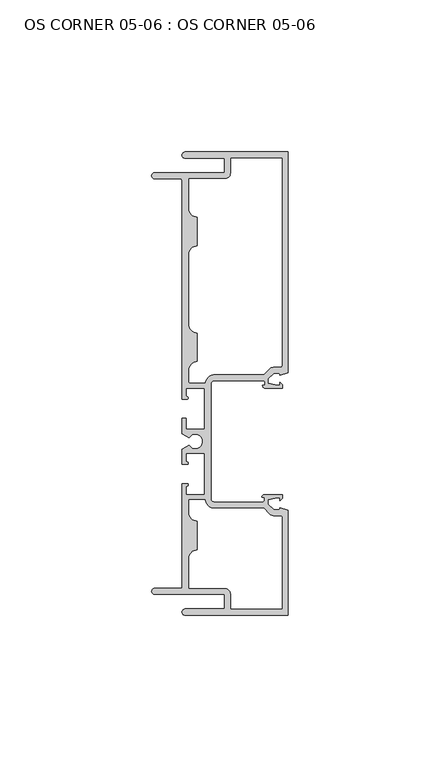
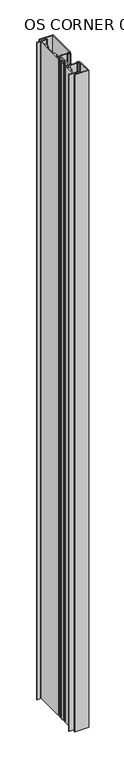
"""IFC4 building model written with IfcOpenShell, lengths in millimetres: plate geometry, OS CORNER 05-06 : OS CORNER 05-06."""

from ifc_helpers import new_model, si_unit, frame, origin, place, context, project, spatial, polyline, circle_curve, source, transform, mapped, element, save
from ifc_brep_helpers import plane_surface, cylinder_surface, revolved_surface, extruded_surface, spline_curve, advanced_brep


def os_corner_05_06_os_corner_05_06_935385a8(model_context):
    return source(origin(), model_context, "Body", "AdvancedBrep", [
        advanced_brep(
        [(-46.6090187, 107.95, 1710.2666667), (-46.6090187, 105.918, 1710.2666667), (-33.5788187, 105.918, 1710.2666667), (-33.5788187, 101.1428, 1710.2666667), (-56.5658187, 101.1428, 1710.2666667), (-56.5658187, 99.1108, 1710.2666667), (-48.1330187, 99.1108, 1710.2666667), (-47.6250187, 98.6028, 1710.2666667), (-47.6250187, 26.6065635, 1710.2666667), (-45.9613187, 26.6065635, 1710.2666667), (-45.9613187, 27.3939635, 1710.2666667), (-46.3550187, 28.0613166, 1710.2666667), (-46.3550187, 30.1879635, 1710.2666667), (-40.1320187, 30.1879635, 1710.2666667), (-40.1320187, 16.6751635, 1710.2666667), (-46.3550187, 16.6751635, 1710.2666667), (-46.3550187, 20.2565635, 1710.2666667), (-47.6250187, 20.2565635, 1710.2666667), (-47.6250187, 15.2424237, 1710.2666667), (-45.333238, 13.9192635, 1710.2666667), (-45.333238, 11.5062635, 1710.2666667), (-47.6250187, 10.1831033, 1710.2666667), (-47.6250187, 5.1689635, 1710.2666667), (-45.9613187, 5.1689635, 1710.2666667), (-46.3550187, 6.1451016, 1710.2666667), (-46.3550187, 8.7503635, 1710.2666667), (-40.1320187, 8.7503635, 1710.2666667), (-40.1320187, -4.7624365, 1710.2666667), (-46.3550187, -4.7624365, 1710.2666667), (-46.3550187, -2.1610439, 1710.2666667), (-45.9613187, -1.1849057, 1710.2666667), (-47.6250187, -1.1849057, 1710.2666667), (-47.6250187, -35.6108, 1710.2666667), (-56.5658187, -35.6108, 1710.2666667), (-56.5658187, -37.6428, 1710.2666667), (-33.5788187, -37.6428, 1710.2666667), (-33.5788187, -42.418, 1710.2666667), (-46.6090187, -42.418, 1710.2666667), (-46.6090187, -44.45, 1710.2666667), (-12.7000187, -44.45, 1710.2666667), (-12.7000187, -9.9816997, 1710.2666667), (-15.3035187, -9.06653, 1710.2666667), (-15.5624448, -9.80313, 1710.2666667), (-17.3878787, -9.80313, 1710.2666667), (-19.2659187, -7.92353, 1710.2666667), (-19.2659187, -6.4494761, 1710.2666667), (-16.2687187, -5.7912, 1710.2666667), (-15.3035187, -5.7912, 1710.2666667), (-15.3035187, -6.734082, 1710.2666667), (-14.4895461, -5.9201094, 1710.2666667), (-14.4895461, -4.7752, 1710.2666667), (-20.3526339, -4.7752, 1710.2666667), (-21.3179609, -5.740527, 1710.2666667), (-20.5359187, -5.740527, 1710.2666667), (-20.5359187, -6.680327, 1710.2666667), (-21.1709187, -7.315327, 1710.2666667), (-36.8300187, -7.315327, 1710.2666667), (-38.1000187, -6.045327, 1710.2666667), (-38.1000187, 31.445327, 1710.2666667), (-36.8300187, 32.715327, 1710.2666667), (-20.8732625, 32.715327, 1710.2666667), (-20.2382625, 32.080327, 1710.2666667), (-20.2382625, 31.140527, 1710.2666667), (-21.0947187, 31.140527, 1710.2666667), (-20.1293917, 30.1752, 1710.2666667), (-14.4895461, 30.1752, 1710.2666667), (-14.4895461, 31.3201094, 1710.2666667), (-15.3035187, 32.134082, 1710.2666667), (-15.3035187, 31.1912, 1710.2666667), (-16.2687187, 31.1912, 1710.2666667), (-19.2659187, 31.8494761, 1710.2666667), (-19.2659187, 33.32353, 1710.2666667), (-17.3878787, 35.20313, 1710.2666667), (-15.5624448, 35.20313, 1710.2666667), (-15.3035187, 34.46653, 1710.2666667), (-12.7000187, 35.3816997, 1710.2666667), (-12.7000187, 107.95, 1710.2666667), (-45.3390187, 99.1108, 1710.2666667), (-33.5788187, 99.1108, 1710.2666667), (-31.5468187, 101.1428, 1710.2666667), (-31.5468187, 105.918, 1710.2666667), (-14.7320187, 105.918, 1710.2666667), (-14.7320187, 37.74313, 1710.2666667), (-15.2400187, 37.23513, 1710.2666667), (-17.1246986, 37.23513, 1710.2666667), (-19.0113352, 36.4532007, 1710.2666667), (-20.7157931, 34.747327, 1710.2666667), (-36.8300187, 34.747327, 1710.2666667), (-40.0906949, 31.9660905, 1710.2666667), (-44.8310187, 31.9660905, 1710.2666667), (-45.3390187, 32.4740905, 1710.2666667), (-45.3390187, 36.1188, 1710.2666667), (-42.5450187, 38.9128, 1710.2666667), (-42.5450187, 48.4378, 1710.2666667), (-45.3390187, 51.2318, 1710.2666667), (-45.3390187, 74.2315, 1710.2666667), (-42.5450187, 77.0255, 1710.2666667), (-42.5450187, 86.5505, 1710.2666667), (-45.3390187, 89.3445, 1710.2666667), (-17.1246986, -11.83513, 1710.2666667), (-15.2400187, -11.83513, 1710.2666667), (-14.7320187, -12.34313, 1710.2666667), (-14.7320187, -42.418, 1710.2666667), (-31.5468187, -42.418, 1710.2666667), (-31.5468187, -37.6428, 1710.2666667), (-33.5788187, -35.6108, 1710.2666667), (-45.3390187, -35.6108, 1710.2666667), (-45.3390187, -25.8318, 1710.2666667), (-42.5450187, -23.0378, 1710.2666667), (-42.5450187, -13.5128, 1710.2666667), (-45.3390187, -10.7188, 1710.2666667), (-45.3390187, -6.5405635, 1710.2666667), (-40.0946695, -6.5405635, 1710.2666667), (-36.8300187, -9.347327, 1710.2666667), (-20.7157931, -9.347327, 1710.2666667), (-19.0113352, -11.0532007, 1710.2666667), (-46.6090187, 107.95, 0.0), (-12.7000187, 107.95, 0.0), (-12.7000187, 35.3816997, 0.0), (-15.3035187, 34.46653, 0.0), (-15.5624448, 35.20313, 0.0), (-17.3878787, 35.20313, 0.0), (-19.2659187, 33.32353, 0.0), (-19.2659187, 31.8494761, 0.0), (-16.2687187, 31.1912, 0.0), (-15.3035187, 31.1912, 0.0), (-15.3035187, 32.134082, 0.0), (-14.4895461, 31.3201094, 0.0), (-14.4895461, 30.1752, 0.0), (-20.1293917, 30.1752, 0.0), (-21.0947187, 31.140527, 0.0), (-20.2382625, 31.140527, 0.0), (-20.2382625, 32.080327, 0.0), (-20.8732625, 32.715327, 0.0), (-36.8300187, 32.715327, 0.0), (-38.1000187, 31.445327, 0.0), (-38.1000187, -6.045327, 0.0), (-36.8300187, -7.315327, 0.0), (-21.1709187, -7.315327, 0.0), (-20.5359187, -6.680327, 0.0), (-20.5359187, -5.740527, 0.0), (-21.3179609, -5.740527, 0.0), (-20.3526339, -4.7752, 0.0), (-14.4895461, -4.7752, 0.0), (-14.4895461, -5.9201094, 0.0), (-15.3035187, -6.734082, 0.0), (-15.3035187, -5.7912, 0.0), (-16.2687187, -5.7912, 0.0), (-19.2659187, -6.4494761, 0.0), (-19.2659187, -7.92353, 0.0), (-17.3878787, -9.80313, 0.0), (-15.5624448, -9.80313, 0.0), (-15.3035187, -9.06653, 0.0), (-12.7000187, -9.9816997, 0.0), (-12.7000187, -44.45, 0.0), (-46.6090187, -44.45, 0.0), (-46.6090187, -42.418, 0.0), (-33.5788187, -42.418, 0.0), (-33.5788187, -37.6428, 0.0), (-56.5658187, -37.6428, 0.0), (-56.5658187, -35.6108, 0.0), (-47.6250187, -35.6108, 0.0), (-47.6250187, -1.1849057, 0.0), (-45.9613187, -1.1849057, 0.0), (-46.3550187, -2.1610439, 0.0), (-46.3550187, -4.7624365, 0.0), (-40.1320187, -4.7624365, 0.0), (-40.1320187, 8.7503635, 0.0), (-46.3550187, 8.7503635, 0.0), (-46.3550187, 6.1451016, 0.0), (-45.9613187, 5.1689635, 0.0), (-47.6250187, 5.1689635, 0.0), (-47.6250187, 10.1831033, 0.0), (-45.333238, 11.5062635, 0.0), (-45.333238, 13.9192635, 0.0), (-47.6250187, 15.2424237, 0.0), (-47.6250187, 20.2565635, 0.0), (-46.3550187, 20.2565635, 0.0), (-46.3550187, 16.6751635, 0.0), (-40.1320187, 16.6751635, 0.0), (-40.1320187, 30.1879635, 0.0), (-46.3550187, 30.1879635, 0.0), (-46.3550187, 28.0613166, 0.0), (-45.9613187, 27.3939635, 0.0), (-45.9613187, 26.6065635, 0.0), (-47.6250187, 26.6065635, 0.0), (-47.6250187, 98.6028, 0.0), (-48.1330187, 99.1108, 0.0), (-56.5658187, 99.1108, 0.0), (-56.5658187, 101.1428, 0.0), (-33.5788187, 101.1428, 0.0), (-33.5788187, 105.918, 0.0), (-46.6090187, 105.918, 0.0), (-45.3390187, 99.1108, 0.0), (-45.3390187, 89.3445, 0.0), (-42.5450187, 86.5505, 0.0), (-42.5450187, 77.0255, 0.0), (-45.3390187, 74.2315, 0.0), (-45.3390187, 51.2318, 0.0), (-42.5450187, 48.4378, 0.0), (-42.5450187, 38.9128, 0.0), (-45.3390187, 36.1188, 0.0), (-45.3390187, 32.4740905, 0.0), (-44.8310187, 31.9660905, 0.0), (-40.0906949, 31.9660905, 0.0), (-36.8300187, 34.747327, 0.0), (-20.7157931, 34.747327, 0.0), (-19.0113352, 36.4532007, 0.0), (-17.1246986, 37.23513, 0.0), (-15.2400187, 37.23513, 0.0), (-14.7320187, 37.74313, 0.0), (-14.7320187, 105.918, 0.0), (-31.5468187, 105.918, 0.0), (-31.5468187, 101.1428, 0.0), (-33.5788187, 99.1108, 0.0), (-17.1246986, -11.83513, 0.0), (-19.0113352, -11.0532007, 0.0), (-20.7157931, -9.347327, 0.0), (-36.8300187, -9.347327, 0.0), (-40.0946695, -6.5405635, 0.0), (-45.3390187, -6.5405635, 0.0), (-45.3390187, -10.7188, 0.0), (-42.5450187, -13.5128, 0.0), (-42.5450187, -23.0378, 0.0), (-45.3390187, -25.8318, 0.0), (-45.3390187, -35.6108, 0.0), (-33.5788187, -35.6108, 0.0), (-31.5468187, -37.6428, 0.0), (-31.5468187, -42.418, 0.0), (-14.7320187, -42.418, 0.0), (-14.7320187, -12.34313, 0.0), (-15.2400187, -11.83513, 0.0)],
        [
            (0, 1, circle_curve(frame((-46.6090187, 106.934, 1710.2666667), z_axis=(0.0, 0.0, 1.0), x_axis=(0.0, 1.0, 0.0)), 1.016)),
            (1, 2),
            (2, 3),
            (3, 4),
            (4, 5, circle_curve(frame((-56.5658187, 100.1268, 1710.2666667), z_axis=(0.0, 0.0, 1.0), x_axis=(0.0, 1.0, 0.0)), 1.016)),
            (5, 6),
            (6, 7, circle_curve(frame((-48.1330187, 98.6028, 1710.2666667), z_axis=(0.0, 0.0, -1.0), x_axis=(0.0, 1.0, 0.0)), 0.508)),
            (7, 8),
            (8, 9),
            (9, 10, circle_curve(frame((-45.9613187, 27.0002635, 1710.2666667), z_axis=(0.0, 0.0, 1.0), x_axis=(0.0, 1.0, 0.0)), 0.3937)),
            (10, 11, circle_curve(frame((-45.5925602, 28.0613166, 1710.2666667), z_axis=(0.0, 0.0, -1.0), x_axis=(0.0, 1.0, 0.0)), 0.7624585)),
            (11, 12),
            (12, 13),
            (13, 14),
            (14, 15),
            (15, 16),
            (16, 17),
            (17, 18),
            (18, 19),
            (19, 20, circle_curve(frame((-43.2435187, 12.7127635, 1710.2666667), z_axis=(0.0, 0.0, -1.0), x_axis=(0.0, 1.0, 0.0)), 2.413)),
            (20, 21),
            (21, 22),
            (22, 23),
            (23, 24, spline_curve(3, [(-45.9613187, 5.1689635, 1710.2666667), (-45.721535181, 5.211243804, 1710.2666667), (-45.680374786, 5.24201685, 1710.2666667), (-45.612269102, 5.317468563, 1710.2666667), (-45.604627603, 5.360805734, 1710.2666667), (-45.589135997, 5.546790741, 1710.2666667), (-45.582769866, 5.725625622, 1710.2666667), (-45.796569705, 5.939336439, 1710.2666667), (-46.061155468, 5.93933635, 1710.2666667), (-46.3550187, 6.1451016, 1710.2666667)], [4, 2, 2, 2, 4], [0.0, 0.0005581775979920252, 0.0014141886036385456, 0.002659292844354508, 0.004147214338502557])),
            (24, 25),
            (25, 26),
            (26, 27),
            (27, 28),
            (28, 29),
            (29, 30, spline_curve(3, [(-46.3550187, -2.1610439, 1710.2666667), (-46.061155468, -1.95527865, 1710.2666667), (-45.796569705, -1.955278639, 1710.2666667), (-45.582769866, -1.741567822, 1710.2666667), (-45.589135997, -1.562732941, 1710.2666667), (-45.604627603, -1.376747934, 1710.2666667), (-45.612269102, -1.333410763, 1710.2666667), (-45.680374786, -1.25795905, 1710.2666667), (-45.721535181, -1.227186004, 1710.2666667), (-45.9613187, -1.1849057, 1710.2666667)], [4, 2, 2, 2, 4], [0.0, 0.0014879214941480494, 0.0027330257348640117, 0.003589036740510532, 0.004147214338502557])),
            (30, 31),
            (31, 32),
            (32, 33),
            (33, 34, circle_curve(frame((-56.5658187, -36.6268, 1710.2666667), z_axis=(0.0, 0.0, 1.0), x_axis=(0.0, 1.0, 0.0)), 1.016)),
            (34, 35),
            (35, 36),
            (36, 37),
            (37, 38, circle_curve(frame((-46.6090187, -43.434, 1710.2666667), z_axis=(0.0, 0.0, 1.0), x_axis=(0.0, 1.0, 0.0)), 1.016)),
            (38, 39),
            (39, 40),
            (40, 41),
            (41, 42),
            (42, 43),
            (43, 44),
            (44, 45),
            (45, 46),
            (46, 47),
            (47, 48),
            (48, 49),
            (49, 50),
            (50, 51),
            (51, 52, circle_curve(frame((-20.3526339, -5.740527, 1710.2666667), z_axis=(0.0, 0.0, 1.0), x_axis=(0.0, 1.0, 0.0)), 0.965327)),
            (52, 53),
            (53, 54),
            (54, 55, circle_curve(frame((-21.1709187, -6.680327, 1710.2666667), z_axis=(0.0, 0.0, -1.0), x_axis=(0.0, 1.0, 0.0)), 0.635)),
            (55, 56),
            (56, 57, circle_curve(frame((-36.8300187, -6.045327, 1710.2666667), z_axis=(0.0, 0.0, -1.0), x_axis=(0.0, 1.0, 0.0)), 1.27)),
            (57, 58),
            (58, 59, circle_curve(frame((-36.8300187, 31.445327, 1710.2666667), z_axis=(0.0, 0.0, -1.0), x_axis=(0.0, 1.0, 0.0)), 1.27)),
            (59, 60),
            (60, 61, circle_curve(frame((-20.8732625, 32.080327, 1710.2666667), z_axis=(0.0, 0.0, -1.0), x_axis=(0.0, 1.0, 0.0)), 0.635)),
            (61, 62),
            (62, 63),
            (63, 64, circle_curve(frame((-20.1293917, 31.140527, 1710.2666667), z_axis=(0.0, 0.0, 1.0), x_axis=(0.0, 1.0, 0.0)), 0.965327)),
            (64, 65),
            (65, 66),
            (66, 67),
            (67, 68),
            (68, 69),
            (69, 70),
            (70, 71),
            (71, 72),
            (72, 73),
            (73, 74),
            (74, 75),
            (75, 76),
            (76, 0),
            (77, 78),
            (78, 79, circle_curve(frame((-33.5788187, 101.1428, 1710.2666667), z_axis=(0.0, 0.0, 1.0), x_axis=(0.0, 1.0, 0.0)), 2.032)),
            (79, 80),
            (80, 81),
            (81, 82),
            (82, 83, circle_curve(frame((-15.2400187, 37.74313, 1710.2666667), z_axis=(0.0, 0.0, -1.0), x_axis=(0.0, 1.0, 0.0)), 0.508)),
            (83, 84),
            (84, 85, circle_curve(frame((-17.1246986, 34.56813, 1710.2666667), z_axis=(0.0, 0.0, 1.0), x_axis=(0.0, 1.0, 0.0)), 2.667)),
            (85, 86),
            (86, 87),
            (87, 88, circle_curve(frame((-36.8300187, 31.445327, 1710.2666667), z_axis=(0.0, 0.0, 1.0), x_axis=(0.0, 1.0, 0.0)), 3.302)),
            (88, 89),
            (89, 90, circle_curve(frame((-44.8310187, 32.4740905, 1710.2666667), z_axis=(0.0, 0.0, -1.0), x_axis=(0.0, 1.0, 0.0)), 0.508)),
            (90, 91),
            (91, 92, circle_curve(frame((-42.5450187, 36.1188, 1710.2666667), z_axis=(0.0, 0.0, -1.0), x_axis=(0.0, 1.0, 0.0)), 2.794)),
            (92, 93),
            (93, 94, circle_curve(frame((-42.5450187, 51.2318, 1710.2666667), z_axis=(0.0, 0.0, -1.0), x_axis=(0.0, 1.0, 0.0)), 2.794)),
            (94, 95),
            (95, 96, circle_curve(frame((-42.5450187, 74.2315, 1710.2666667), z_axis=(0.0, 0.0, -1.0), x_axis=(0.0, 1.0, 0.0)), 2.794)),
            (96, 97),
            (97, 98, circle_curve(frame((-42.5450187, 89.3445, 1710.2666667), z_axis=(0.0, 0.0, -1.0), x_axis=(0.0, 1.0, 0.0)), 2.794)),
            (98, 77),
            (99, 100),
            (100, 101, circle_curve(frame((-15.2400187, -12.34313, 1710.2666667), z_axis=(0.0, 0.0, -1.0), x_axis=(0.0, 1.0, 0.0)), 0.508)),
            (101, 102),
            (102, 103),
            (103, 104),
            (104, 105, circle_curve(frame((-33.5788187, -37.6428, 1710.2666667), z_axis=(0.0, 0.0, 1.0), x_axis=(0.0, 1.0, 0.0)), 2.032)),
            (105, 106),
            (106, 107),
            (107, 108, circle_curve(frame((-42.5450187, -25.8318, 1710.2666667), z_axis=(0.0, 0.0, -1.0), x_axis=(0.0, 1.0, 0.0)), 2.794)),
            (108, 109),
            (109, 110, circle_curve(frame((-42.5450187, -10.7188, 1710.2666667), z_axis=(0.0, 0.0, -1.0), x_axis=(0.0, 1.0, 0.0)), 2.794)),
            (110, 111),
            (111, 112),
            (112, 113, circle_curve(frame((-36.8300187, -6.045327, 1710.2666667), z_axis=(0.0, 0.0, 1.0), x_axis=(0.0, 1.0, 0.0)), 3.302)),
            (113, 114),
            (114, 115),
            (115, 99, circle_curve(frame((-17.1246986, -9.16813, 1710.2666667), z_axis=(0.0, 0.0, 1.0), x_axis=(0.0, 1.0, 0.0)), 2.667)),
            (116, 117),
            (117, 118),
            (118, 119),
            (119, 120),
            (120, 121),
            (121, 122),
            (122, 123),
            (123, 124),
            (124, 125),
            (125, 126),
            (126, 127),
            (127, 128),
            (128, 129),
            (129, 130, circle_curve(frame((-20.1293917, 31.140527, 0.0), z_axis=(0.0, 0.0, -1.0), x_axis=(0.0, 1.0, 0.0)), 0.965327)),
            (130, 131),
            (131, 132),
            (132, 133, circle_curve(frame((-20.8732625, 32.080327, 0.0), z_axis=(0.0, 0.0, 1.0), x_axis=(0.0, 1.0, 0.0)), 0.635)),
            (133, 134),
            (134, 135, circle_curve(frame((-36.8300187, 31.445327, 0.0), z_axis=(0.0, 0.0, 1.0), x_axis=(0.0, 1.0, 0.0)), 1.27)),
            (135, 136),
            (136, 137, circle_curve(frame((-36.8300187, -6.045327, 0.0), z_axis=(0.0, 0.0, 1.0), x_axis=(0.0, 1.0, 0.0)), 1.27)),
            (137, 138),
            (138, 139, circle_curve(frame((-21.1709187, -6.680327, 0.0), z_axis=(0.0, 0.0, 1.0), x_axis=(0.0, 1.0, 0.0)), 0.635)),
            (139, 140),
            (140, 141),
            (141, 142, circle_curve(frame((-20.3526339, -5.740527, 0.0), z_axis=(0.0, 0.0, -1.0), x_axis=(0.0, 1.0, 0.0)), 0.965327)),
            (142, 143),
            (143, 144),
            (144, 145),
            (145, 146),
            (146, 147),
            (147, 148),
            (148, 149),
            (149, 150),
            (150, 151),
            (151, 152),
            (152, 153),
            (153, 154),
            (154, 155),
            (155, 156, circle_curve(frame((-46.6090187, -43.434, 0.0), z_axis=(0.0, 0.0, -1.0), x_axis=(0.0, 1.0, 0.0)), 1.016)),
            (156, 157),
            (157, 158),
            (158, 159),
            (159, 160, circle_curve(frame((-56.5658187, -36.6268, 0.0), z_axis=(0.0, 0.0, -1.0), x_axis=(0.0, 1.0, 0.0)), 1.016)),
            (160, 161),
            (161, 162),
            (162, 163),
            (163, 164, spline_curve(3, [(-45.9613187, -1.1849057, 0.0), (-45.721535181, -1.227186004, 0.0), (-45.680374786, -1.25795905, 0.0), (-45.612269102, -1.333410763, 0.0), (-45.604627603, -1.376747934, 0.0), (-45.589135997, -1.562732941, 0.0), (-45.582769866, -1.741567822, 0.0), (-45.796569705, -1.955278639, 0.0), (-46.061155468, -1.95527865, 0.0), (-46.3550187, -2.1610439, 0.0)], [4, 2, 2, 2, 4], [0.0, 0.0005581775979920252, 0.0014141886036385456, 0.002659292844354508, 0.004147214338502557])),
            (164, 165),
            (165, 166),
            (166, 167),
            (167, 168),
            (168, 169),
            (169, 170, spline_curve(3, [(-46.3550187, 6.1451016, 0.0), (-46.061155468, 5.93933635, 0.0), (-45.796569705, 5.939336439, 0.0), (-45.582769866, 5.725625622, 0.0), (-45.589135997, 5.546790741, 0.0), (-45.604627603, 5.360805734, 0.0), (-45.612269102, 5.317468563, 0.0), (-45.680374786, 5.24201685, 0.0), (-45.721535181, 5.211243804, 0.0), (-45.9613187, 5.1689635, 0.0)], [4, 2, 2, 2, 4], [0.0, 0.0014879214941480494, 0.0027330257348640117, 0.003589036740510532, 0.004147214338502557])),
            (170, 171),
            (171, 172),
            (172, 173),
            (173, 174, circle_curve(frame((-43.2435187, 12.7127635, 0.0), z_axis=(0.0, 0.0, 1.0), x_axis=(0.0, 1.0, 0.0)), 2.413)),
            (174, 175),
            (175, 176),
            (176, 177),
            (177, 178),
            (178, 179),
            (179, 180),
            (180, 181),
            (181, 182),
            (182, 183, circle_curve(frame((-45.5925602, 28.0613166, 0.0), z_axis=(0.0, 0.0, 1.0), x_axis=(0.0, 1.0, 0.0)), 0.7624585)),
            (183, 184, circle_curve(frame((-45.9613187, 27.0002635, 0.0), z_axis=(0.0, 0.0, -1.0), x_axis=(0.0, 1.0, 0.0)), 0.3937)),
            (184, 185),
            (185, 186),
            (186, 187, circle_curve(frame((-48.1330187, 98.6028, 0.0), z_axis=(0.0, 0.0, 1.0), x_axis=(0.0, 1.0, 0.0)), 0.508)),
            (187, 188),
            (188, 189, circle_curve(frame((-56.5658187, 100.1268, 0.0), z_axis=(0.0, 0.0, -1.0), x_axis=(0.0, 1.0, 0.0)), 1.016)),
            (189, 190),
            (190, 191),
            (191, 192),
            (192, 116, circle_curve(frame((-46.6090187, 106.934, 0.0), z_axis=(0.0, 0.0, -1.0), x_axis=(0.0, 1.0, 0.0)), 1.016)),
            (193, 194),
            (194, 195, circle_curve(frame((-42.5450187, 89.3445, 0.0), z_axis=(0.0, 0.0, 1.0), x_axis=(0.0, 1.0, 0.0)), 2.794)),
            (195, 196),
            (196, 197, circle_curve(frame((-42.5450187, 74.2315, 0.0), z_axis=(0.0, 0.0, 1.0), x_axis=(0.0, 1.0, 0.0)), 2.794)),
            (197, 198),
            (198, 199, circle_curve(frame((-42.5450187, 51.2318, 0.0), z_axis=(0.0, 0.0, 1.0), x_axis=(0.0, 1.0, 0.0)), 2.794)),
            (199, 200),
            (200, 201, circle_curve(frame((-42.5450187, 36.1188, 0.0), z_axis=(0.0, 0.0, 1.0), x_axis=(0.0, 1.0, 0.0)), 2.794)),
            (201, 202),
            (202, 203, circle_curve(frame((-44.8310187, 32.4740905, 0.0), z_axis=(0.0, 0.0, 1.0), x_axis=(0.0, 1.0, 0.0)), 0.508)),
            (203, 204),
            (204, 205, circle_curve(frame((-36.8300187, 31.445327, 0.0), z_axis=(0.0, 0.0, -1.0), x_axis=(0.0, 1.0, 0.0)), 3.302)),
            (205, 206),
            (206, 207),
            (207, 208, circle_curve(frame((-17.1246986, 34.56813, 0.0), z_axis=(0.0, 0.0, -1.0), x_axis=(0.0, 1.0, 0.0)), 2.667)),
            (208, 209),
            (209, 210, circle_curve(frame((-15.2400187, 37.74313, 0.0), z_axis=(0.0, 0.0, 1.0), x_axis=(0.0, 1.0, 0.0)), 0.508)),
            (210, 211),
            (211, 212),
            (212, 213),
            (213, 214, circle_curve(frame((-33.5788187, 101.1428, 0.0), z_axis=(0.0, 0.0, -1.0), x_axis=(0.0, 1.0, 0.0)), 2.032)),
            (214, 193),
            (215, 216, circle_curve(frame((-17.1246986, -9.16813, 0.0), z_axis=(0.0, 0.0, -1.0), x_axis=(0.0, 1.0, 0.0)), 2.667)),
            (216, 217),
            (217, 218),
            (218, 219, circle_curve(frame((-36.8300187, -6.045327, 0.0), z_axis=(0.0, 0.0, -1.0), x_axis=(0.0, 1.0, 0.0)), 3.302)),
            (219, 220),
            (220, 221),
            (221, 222, circle_curve(frame((-42.5450187, -10.7188, 0.0), z_axis=(0.0, 0.0, 1.0), x_axis=(0.0, 1.0, 0.0)), 2.794)),
            (222, 223),
            (223, 224, circle_curve(frame((-42.5450187, -25.8318, 0.0), z_axis=(0.0, 0.0, 1.0), x_axis=(0.0, 1.0, 0.0)), 2.794)),
            (224, 225),
            (225, 226),
            (226, 227, circle_curve(frame((-33.5788187, -37.6428, 0.0), z_axis=(0.0, 0.0, -1.0), x_axis=(0.0, 1.0, 0.0)), 2.032)),
            (227, 228),
            (228, 229),
            (229, 230),
            (230, 231, circle_curve(frame((-15.2400187, -12.34313, 0.0), z_axis=(0.0, 0.0, 1.0), x_axis=(0.0, 1.0, 0.0)), 0.508)),
            (231, 215),
            (76, 117),
            (116, 0),
            (75, 118),
            (74, 119),
            (73, 120),
            (72, 121),
            (71, 122),
            (70, 123),
            (69, 124),
            (68, 125),
            (67, 126),
            (66, 127),
            (65, 128),
            (64, 129),
            (63, 130),
            (62, 131),
            (61, 132),
            (60, 133),
            (59, 134),
            (58, 135),
            (57, 136),
            (56, 137),
            (55, 138),
            (54, 139),
            (53, 140),
            (52, 141),
            (51, 142),
            (50, 143),
            (49, 144),
            (48, 145),
            (47, 146),
            (46, 147),
            (45, 148),
            (44, 149),
            (43, 150),
            (42, 151),
            (41, 152),
            (40, 153),
            (39, 154),
            (38, 155),
            (37, 156),
            (36, 157),
            (35, 158),
            (34, 159),
            (33, 160),
            (32, 161),
            (31, 162),
            (30, 163),
            (29, 164),
            (28, 165),
            (27, 166),
            (26, 167),
            (25, 168),
            (24, 169),
            (23, 170),
            (22, 171),
            (21, 172),
            (20, 173),
            (19, 174),
            (18, 175),
            (17, 176),
            (16, 177),
            (15, 178),
            (14, 179),
            (13, 180),
            (12, 181),
            (11, 182),
            (10, 183),
            (9, 184),
            (8, 185),
            (7, 186),
            (6, 187),
            (5, 188),
            (4, 189),
            (3, 190),
            (2, 191),
            (1, 192),
            (98, 194),
            (193, 77),
            (97, 195),
            (96, 196),
            (95, 197),
            (94, 198),
            (93, 199),
            (92, 200),
            (91, 201),
            (90, 202),
            (89, 203),
            (88, 204),
            (87, 205),
            (86, 206),
            (85, 207),
            (84, 208),
            (83, 209),
            (82, 210),
            (81, 211),
            (80, 212),
            (79, 213),
            (78, 214),
            (115, 216),
            (215, 99),
            (114, 217),
            (113, 218),
            (112, 219),
            (111, 220),
            (110, 221),
            (109, 222),
            (108, 223),
            (107, 224),
            (106, 225),
            (105, 226),
            (104, 227),
            (103, 228),
            (102, 229),
            (101, 230),
            (100, 231),
        ],
        [
            plane_surface(frame((-203.2, 0.0, 1710.2666667), z_axis=(0.0, 0.0, 1.0), x_axis=(0.0, 1.0, 0.0))),
            plane_surface(frame((-203.2, 0.0, 0.0), z_axis=(0.0, 0.0, -1.0), x_axis=(0.0, 1.0, 0.0))),
            plane_surface(frame((-46.6090187, 107.95, 1710.2666667), z_axis=(0.0, 1.0, 0.0), x_axis=(0.0, 0.0, -1.0))),
            plane_surface(frame((-12.7000187, 107.95, 1710.2666667), z_axis=(1.0, 0.0, 0.0), x_axis=(0.0, 0.0, -1.0))),
            plane_surface(frame((-12.7000187, 35.3816997, 1710.2666667), z_axis=(0.33162354217178447, -0.9434118010060287, 0.0), x_axis=(0.0, 0.0, -1.0))),
            plane_surface(frame((-15.3035187, 34.46653, 1710.2666667), z_axis=(-0.9434118010060182, -0.3316235421718146, 0.0), x_axis=(0.0, 0.0, -1.0))),
            plane_surface(frame((-15.5624448, 35.20313, 1710.2666667), z_axis=(0.0, -1.0, 0.0), x_axis=(0.0, 0.0, -1.0))),
            plane_surface(frame((-17.3878787, 35.20313, 1710.2666667), z_axis=(0.7074002732966547, -0.7068131672088589, 0.0), x_axis=(0.0, 0.0, -1.0))),
            plane_surface(frame((-19.2659187, 33.32353, 1710.2666667), z_axis=(1.0, 0.0, 0.0), x_axis=(0.0, 0.0, -1.0))),
            plane_surface(frame((-19.2659187, 31.8494761, 1710.2666667), z_axis=(0.21451738649468677, 0.9767201702081765, 0.0), x_axis=(0.0, 0.0, -1.0))),
            plane_surface(frame((-16.2687187, 31.1912, 1710.2666667), z_axis=(0.0, 1.0, 0.0), x_axis=(0.0, 0.0, -1.0))),
            plane_surface(frame((-15.3035187, 31.1912, 1710.2666667), z_axis=(-1.0, 0.0, 0.0), x_axis=(0.0, 0.0, -1.0))),
            plane_surface(frame((-15.3035187, 32.134082, 1710.2666667), z_axis=(0.7071067811865605, 0.7071067811865347, 0.0), x_axis=(0.0, 0.0, -1.0))),
            plane_surface(frame((-14.4895461, 31.3201094, 1710.2666667), z_axis=(1.0, 0.0, 0.0), x_axis=(0.0, 0.0, -1.0))),
            plane_surface(frame((-14.4895461, 30.1752, 1710.2666667), z_axis=(0.0, -1.0, 0.0), x_axis=(0.0, 0.0, -1.0))),
            cylinder_surface(frame((-20.1293917, 31.140527, 1710.2666667), z_axis=(0.0, 0.0, 1.0), x_axis=(0.0, 1.0, 0.0)), 0.965327),
            plane_surface(frame((-21.0947187, 31.140527, 1710.2666667), z_axis=(0.0, 1.0, 0.0), x_axis=(0.0, 0.0, -1.0))),
            plane_surface(frame((-20.2382625, 31.140527, 1710.2666667), z_axis=(-1.0, 0.0, 0.0), x_axis=(0.0, 0.0, -1.0))),
            revolved_surface(polyline([(-20.8732625, 32.715326999999995, 0.0), (-20.8732625, 32.715326999999995, 1710.2666667)]), (-20.8732625, 32.080327, 1710.2666667), (0.0, 0.0, -1.0)),
            plane_surface(frame((-20.8732625, 32.715327, 1710.2666667), z_axis=(0.0, -1.0, 0.0), x_axis=(0.0, 0.0, -1.0))),
            revolved_surface(polyline([(-36.8300187, 32.715327, 0.0), (-36.8300187, 32.715327, 1710.2666667)]), (-36.8300187, 31.445327, 1710.2666667), (0.0, 0.0, -1.0)),
            plane_surface(frame((-38.1000187, 31.445327, 1710.2666667), z_axis=(1.0, 0.0, 0.0), x_axis=(0.0, 0.0, -1.0))),
            revolved_surface(polyline([(-36.8300187, -4.775327000000001, 0.0), (-36.8300187, -4.775327000000001, 1710.2666667)]), (-36.8300187, -6.045327, 1710.2666667), (0.0, 0.0, -1.0)),
            plane_surface(frame((-36.8300187, -7.315327, 1710.2666667), z_axis=(0.0, 1.0, 0.0), x_axis=(0.0, 0.0, -1.0))),
            revolved_surface(polyline([(-21.1709187, -6.045327, 0.0), (-21.1709187, -6.045327, 1710.2666667)]), (-21.1709187, -6.680327, 1710.2666667), (0.0, 0.0, -1.0)),
            plane_surface(frame((-20.5359187, -6.680327, 1710.2666667), z_axis=(-1.0, 0.0, 0.0), x_axis=(0.0, 0.0, -1.0))),
            plane_surface(frame((-20.5359187, -5.740527, 1710.2666667), z_axis=(0.0, -1.0, 0.0), x_axis=(0.0, 0.0, -1.0))),
            cylinder_surface(frame((-20.3526339, -5.740527, 1710.2666667), z_axis=(0.0, 0.0, 1.0), x_axis=(0.0, 1.0, 0.0)), 0.965327),
            plane_surface(frame((-20.3526339, -4.7752, 1710.2666667), z_axis=(0.0, 1.0, 0.0), x_axis=(0.0, 0.0, -1.0))),
            plane_surface(frame((-14.4895461, -4.7752, 1710.2666667), z_axis=(1.0, 0.0, 0.0), x_axis=(0.0, 0.0, -1.0))),
            plane_surface(frame((-14.4895461, -5.9201094, 1710.2666667), z_axis=(0.7071067811865605, -0.7071067811865347, 0.0), x_axis=(0.0, 0.0, -1.0))),
            plane_surface(frame((-15.3035187, -6.734082, 1710.2666667), z_axis=(-1.0, 0.0, 0.0), x_axis=(0.0, 0.0, -1.0))),
            plane_surface(frame((-15.3035187, -5.7912, 1710.2666667), z_axis=(0.0, -1.0, 0.0), x_axis=(0.0, 0.0, -1.0))),
            plane_surface(frame((-16.2687187, -5.7912, 1710.2666667), z_axis=(0.21451738649469995, -0.9767201702081736, 0.0), x_axis=(0.0, 0.0, -1.0))),
            plane_surface(frame((-19.2659187, -6.4494761, 1710.2666667), z_axis=(1.0, 0.0, 0.0), x_axis=(0.0, 0.0, -1.0))),
            plane_surface(frame((-19.2659187, -7.92353, 1710.2666667), z_axis=(0.7074002732966436, 0.70681316720887, 0.0), x_axis=(0.0, 0.0, -1.0))),
            plane_surface(frame((-17.3878787, -9.80313, 1710.2666667), z_axis=(0.0, 1.0, 0.0), x_axis=(0.0, 0.0, -1.0))),
            plane_surface(frame((-15.5624448, -9.80313, 1710.2666667), z_axis=(-0.9434118010060171, 0.33162354217181794, 0.0), x_axis=(0.0, 0.0, -1.0))),
            plane_surface(frame((-15.3035187, -9.06653, 1710.2666667), z_axis=(0.33162354217177903, 0.9434118010060306, 0.0), x_axis=(0.0, 0.0, -1.0))),
            plane_surface(frame((-12.7000187, -9.9816997, 1710.2666667), z_axis=(1.0, 0.0, 0.0), x_axis=(0.0, 0.0, -1.0))),
            plane_surface(frame((-12.7000187, -44.45, 1710.2666667), z_axis=(0.0, -1.0, 0.0), x_axis=(0.0, 0.0, -1.0))),
            cylinder_surface(frame((-46.6090187, -43.434, 1710.2666667), z_axis=(0.0, 0.0, 1.0), x_axis=(0.0, 1.0, 0.0)), 1.016),
            plane_surface(frame((-46.6090187, -42.418, 1710.2666667), z_axis=(0.0, 1.0, 0.0), x_axis=(0.0, 0.0, -1.0))),
            plane_surface(frame((-33.5788187, -42.418, 1710.2666667), z_axis=(-1.0, 0.0, 0.0), x_axis=(0.0, 0.0, -1.0))),
            plane_surface(frame((-33.5788187, -37.6428, 1710.2666667), z_axis=(0.0, -1.0, 0.0), x_axis=(0.0, 0.0, -1.0))),
            cylinder_surface(frame((-56.5658187, -36.6268, 1710.2666667), z_axis=(0.0, 0.0, 1.0), x_axis=(0.0, 1.0, 0.0)), 1.016),
            plane_surface(frame((-56.5658187, -35.6108, 1710.2666667), z_axis=(0.0, 1.0, 0.0), x_axis=(0.0, 0.0, -1.0))),
            plane_surface(frame((-47.6250187, -35.6108, 1710.2666667), z_axis=(-1.0, 0.0, 0.0), x_axis=(0.0, 0.0, -1.0))),
            plane_surface(frame((-47.6250187, -1.1849057, 1710.2666667), z_axis=(0.0, 1.0, 0.0), x_axis=(0.0, 0.0, -1.0))),
            extruded_surface(spline_curve(3, [(-45.9613187, -1.1849057, 1710.2666667), (-45.721535181, -1.227186004, 1710.2666667), (-45.680374786, -1.25795905, 1710.2666667), (-45.612269102, -1.333410763, 1710.2666667), (-45.604627603, -1.376747934, 1710.2666667), (-45.589135997, -1.562732941, 1710.2666667), (-45.582769866, -1.741567822, 1710.2666667), (-45.796569705, -1.955278639, 1710.2666667), (-46.061155468, -1.95527865, 1710.2666667), (-46.3550187, -2.1610439, 1710.2666667)], [4, 2, 2, 2, 4], [0.0, 0.0005581775979920252, 0.0014141886036385456, 0.002659292844354508, 0.004147214338502557]), (0.0, 0.0, -1710.2666667), 1710.2666667),
            plane_surface(frame((-46.3550187, -2.1610439, 1710.2666667), z_axis=(1.0, 0.0, 0.0), x_axis=(0.0, 0.0, -1.0))),
            plane_surface(frame((-46.3550187, -4.7624365, 1710.2666667), z_axis=(0.0, 1.0, 0.0), x_axis=(0.0, 0.0, -1.0))),
            plane_surface(frame((-40.1320187, -4.7624365, 1710.2666667), z_axis=(-1.0, 0.0, 0.0), x_axis=(0.0, 0.0, -1.0))),
            plane_surface(frame((-40.1320187, 8.7503635, 1710.2666667), z_axis=(0.0, -1.0, 0.0), x_axis=(0.0, 0.0, -1.0))),
            plane_surface(frame((-46.3550187, 8.7503635, 1710.2666667), z_axis=(1.0, 0.0, 0.0), x_axis=(0.0, 0.0, -1.0))),
            extruded_surface(spline_curve(3, [(-46.3550187, 6.1451016, 1710.2666667), (-46.061155468, 5.93933635, 1710.2666667), (-45.796569705, 5.939336439, 1710.2666667), (-45.582769866, 5.725625622, 1710.2666667), (-45.589135997, 5.546790741, 1710.2666667), (-45.604627603, 5.360805734, 1710.2666667), (-45.612269102, 5.317468563, 1710.2666667), (-45.680374786, 5.24201685, 1710.2666667), (-45.721535181, 5.211243804, 1710.2666667), (-45.9613187, 5.1689635, 1710.2666667)], [4, 2, 2, 2, 4], [0.0, 0.0014879214941480494, 0.0027330257348640117, 0.003589036740510532, 0.004147214338502557]), (0.0, 0.0, -1710.2666667), 1710.2666667),
            plane_surface(frame((-45.9613187, 5.1689635, 1710.2666667), z_axis=(0.0, -1.0, 0.0), x_axis=(0.0, 0.0, -1.0))),
            plane_surface(frame((-47.6250187, 5.1689635, 1710.2666667), z_axis=(-1.0, 0.0, 0.0), x_axis=(0.0, 0.0, -1.0))),
            plane_surface(frame((-47.6250187, 10.1831033, 1710.2666667), z_axis=(-0.4999999999999164, 0.866025403784487, 0.0), x_axis=(0.0, 0.0, -1.0))),
            revolved_surface(polyline([(-43.2435187, 15.1257635, 0.0), (-43.2435187, 15.1257635, 1710.2666667)]), (-43.2435187, 12.7127635, 1710.2666667), (0.0, 0.0, -1.0)),
            plane_surface(frame((-45.333238, 13.9192635, 1710.2666667), z_axis=(-0.5000000000000643, -0.8660254037844015, 0.0), x_axis=(0.0, 0.0, -1.0))),
            plane_surface(frame((-47.6250187, 15.2424237, 1710.2666667), z_axis=(-1.0, 0.0, 0.0), x_axis=(0.0, 0.0, -1.0))),
            plane_surface(frame((-47.6250187, 20.2565635, 1710.2666667), z_axis=(0.0, 1.0, 0.0), x_axis=(0.0, 0.0, -1.0))),
            plane_surface(frame((-46.3550187, 20.2565635, 1710.2666667), z_axis=(1.0, 0.0, 0.0), x_axis=(0.0, 0.0, -1.0))),
            plane_surface(frame((-46.3550187, 16.6751635, 1710.2666667), z_axis=(0.0, 1.0, 0.0), x_axis=(0.0, 0.0, -1.0))),
            plane_surface(frame((-40.1320187, 16.6751635, 1710.2666667), z_axis=(-1.0, 0.0, 0.0), x_axis=(0.0, 0.0, -1.0))),
            plane_surface(frame((-40.1320187, 30.1879635, 1710.2666667), z_axis=(0.0, -1.0, 0.0), x_axis=(0.0, 0.0, -1.0))),
            plane_surface(frame((-46.3550187, 30.1879635, 1710.2666667), z_axis=(1.0, 0.0, 0.0), x_axis=(0.0, 0.0, -1.0))),
            revolved_surface(polyline([(-45.5925602, 28.823775100000002, 0.0), (-45.5925602, 28.823775100000002, 1710.2666667)]), (-45.5925602, 28.0613166, 1710.2666667), (0.0, 0.0, -1.0)),
            cylinder_surface(frame((-45.9613187, 27.0002635, 1710.2666667), z_axis=(0.0, 0.0, 1.0), x_axis=(0.0, 1.0, 0.0)), 0.3937),
            plane_surface(frame((-45.9613187, 26.6065635, 1710.2666667), z_axis=(0.0, -1.0, 0.0), x_axis=(0.0, 0.0, -1.0))),
            plane_surface(frame((-47.6250187, 26.6065635, 1710.2666667), z_axis=(-1.0, 0.0, 0.0), x_axis=(0.0, 0.0, -1.0))),
            revolved_surface(polyline([(-48.1330187, 99.1108, 0.0), (-48.1330187, 99.1108, 1710.2666667)]), (-48.1330187, 98.6028, 1710.2666667), (0.0, 0.0, -1.0)),
            plane_surface(frame((-48.1330187, 99.1108, 1710.2666667), z_axis=(0.0, -1.0, 0.0), x_axis=(0.0, 0.0, -1.0))),
            cylinder_surface(frame((-56.5658187, 100.1268, 1710.2666667), z_axis=(0.0, 0.0, 1.0), x_axis=(0.0, 1.0, 0.0)), 1.016),
            plane_surface(frame((-56.5658187, 101.1428, 1710.2666667), z_axis=(0.0, 1.0, 0.0), x_axis=(0.0, 0.0, -1.0))),
            plane_surface(frame((-33.5788187, 101.1428, 1710.2666667), z_axis=(-1.0, 0.0, 0.0), x_axis=(0.0, 0.0, -1.0))),
            plane_surface(frame((-33.5788187, 105.918, 1710.2666667), z_axis=(0.0, -1.0, 0.0), x_axis=(0.0, 0.0, -1.0))),
            cylinder_surface(frame((-46.6090187, 106.934, 1710.2666667), z_axis=(0.0, 0.0, 1.0), x_axis=(0.0, 1.0, 0.0)), 1.016),
            plane_surface(frame((-45.3390187, 99.1108, 1710.2666667), z_axis=(1.0, 0.0, 0.0), x_axis=(0.0, 0.0, -1.0))),
            revolved_surface(polyline([(-42.5450187, 92.1385, 0.0), (-42.5450187, 92.1385, 1710.2666667)]), (-42.5450187, 89.3445, 1710.2666667), (0.0, 0.0, -1.0)),
            plane_surface(frame((-42.5450187, 86.5505, 1710.2666667), z_axis=(1.0, 0.0, 0.0), x_axis=(0.0, 0.0, -1.0))),
            revolved_surface(polyline([(-42.5450187, 77.0255, 0.0), (-42.5450187, 77.0255, 1710.2666667)]), (-42.5450187, 74.2315, 1710.2666667), (0.0, 0.0, -1.0)),
            plane_surface(frame((-45.3390187, 74.2315, 1710.2666667), z_axis=(1.0, 0.0, 0.0), x_axis=(0.0, 0.0, -1.0))),
            revolved_surface(polyline([(-42.5450187, 54.0258, 0.0), (-42.5450187, 54.0258, 1710.2666667)]), (-42.5450187, 51.2318, 1710.2666667), (0.0, 0.0, -1.0)),
            plane_surface(frame((-42.5450187, 48.4378, 1710.2666667), z_axis=(1.0, 0.0, 0.0), x_axis=(0.0, 0.0, -1.0))),
            revolved_surface(polyline([(-42.5450187, 38.9128, 0.0), (-42.5450187, 38.9128, 1710.2666667)]), (-42.5450187, 36.1188, 1710.2666667), (0.0, 0.0, -1.0)),
            plane_surface(frame((-45.3390187, 36.1188, 1710.2666667), z_axis=(1.0, 0.0, 0.0), x_axis=(0.0, 0.0, -1.0))),
            revolved_surface(polyline([(-44.8310187, 32.982090500000005, 0.0), (-44.8310187, 32.982090500000005, 1710.2666667)]), (-44.8310187, 32.4740905, 1710.2666667), (0.0, 0.0, -1.0)),
            plane_surface(frame((-44.8310187, 31.9660905, 1710.2666667), z_axis=(0.0, 1.0, 0.0), x_axis=(0.0, 0.0, -1.0))),
            cylinder_surface(frame((-36.8300187, 31.445327, 1710.2666667), z_axis=(0.0, 0.0, 1.0), x_axis=(0.0, 1.0, 0.0)), 3.302),
            plane_surface(frame((-36.8300187, 34.747327, 1710.2666667), z_axis=(0.0, 1.0, 0.0), x_axis=(0.0, 0.0, -1.0))),
            plane_surface(frame((-20.7157931, 34.747327, 1710.2666667), z_axis=(-0.7074002732965818, 0.706813167208932, 0.0), x_axis=(0.0, 0.0, -1.0))),
            cylinder_surface(frame((-17.1246986, 34.56813, 1710.2666667), z_axis=(0.0, 0.0, 1.0), x_axis=(0.0, 1.0, 0.0)), 2.667),
            plane_surface(frame((-17.1246986, 37.23513, 1710.2666667), z_axis=(0.0, 1.0, 0.0), x_axis=(0.0, 0.0, -1.0))),
            revolved_surface(polyline([(-15.2400187, 38.25113, 0.0), (-15.2400187, 38.25113, 1710.2666667)]), (-15.2400187, 37.74313, 1710.2666667), (0.0, 0.0, -1.0)),
            plane_surface(frame((-14.7320187, 37.74313, 1710.2666667), z_axis=(-1.0, 0.0, 0.0), x_axis=(0.0, 0.0, -1.0))),
            plane_surface(frame((-14.7320187, 105.918, 1710.2666667), z_axis=(0.0, -1.0, 0.0), x_axis=(0.0, 0.0, -1.0))),
            plane_surface(frame((-31.5468187, 105.918, 1710.2666667), z_axis=(1.0, 0.0, 0.0), x_axis=(0.0, 0.0, -1.0))),
            cylinder_surface(frame((-33.5788187, 101.1428, 1710.2666667), z_axis=(0.0, 0.0, 1.0), x_axis=(0.0, 1.0, 0.0)), 2.032),
            plane_surface(frame((-33.5788187, 99.1108, 1710.2666667), z_axis=(0.0, -1.0, 0.0), x_axis=(0.0, 0.0, -1.0))),
            cylinder_surface(frame((-17.1246986, -9.16813, 1710.2666667), z_axis=(0.0, 0.0, 1.0), x_axis=(0.0, 1.0, 0.0)), 2.667),
            plane_surface(frame((-19.0113352, -11.0532007, 1710.2666667), z_axis=(-0.7074002732965765, -0.7068131672089372, 0.0), x_axis=(0.0, 0.0, -1.0))),
            plane_surface(frame((-20.7157931, -9.347327, 1710.2666667), z_axis=(0.0, -1.0, 0.0), x_axis=(0.0, 0.0, -1.0))),
            cylinder_surface(frame((-36.8300187, -6.045327, 1710.2666667), z_axis=(0.0, 0.0, 1.0), x_axis=(0.0, 1.0, 0.0)), 3.302),
            plane_surface(frame((-40.0946695, -6.5405635, 1710.2666667), z_axis=(0.0, -1.0, 0.0), x_axis=(0.0, 0.0, -1.0))),
            plane_surface(frame((-45.3390187, -6.5405635, 1710.2666667), z_axis=(1.0, 0.0, 0.0), x_axis=(0.0, 0.0, -1.0))),
            revolved_surface(polyline([(-42.5450187, -7.924799999999999, 0.0), (-42.5450187, -7.924799999999999, 1710.2666667)]), (-42.5450187, -10.7188, 1710.2666667), (0.0, 0.0, -1.0)),
            plane_surface(frame((-42.5450187, -13.5128, 1710.2666667), z_axis=(1.0, 0.0, 0.0), x_axis=(0.0, 0.0, -1.0))),
            revolved_surface(polyline([(-42.5450187, -23.0378, 0.0), (-42.5450187, -23.0378, 1710.2666667)]), (-42.5450187, -25.8318, 1710.2666667), (0.0, 0.0, -1.0)),
            plane_surface(frame((-45.3390187, -25.8318, 1710.2666667), z_axis=(1.0, 0.0, 0.0), x_axis=(0.0, 0.0, -1.0))),
            plane_surface(frame((-45.3390187, -35.6108, 1710.2666667), z_axis=(0.0, 1.0, 0.0), x_axis=(0.0, 0.0, -1.0))),
            cylinder_surface(frame((-33.5788187, -37.6428, 1710.2666667), z_axis=(0.0, 0.0, 1.0), x_axis=(0.0, 1.0, 0.0)), 2.032),
            plane_surface(frame((-31.5468187, -37.6428, 1710.2666667), z_axis=(1.0, 0.0, 0.0), x_axis=(0.0, 0.0, -1.0))),
            plane_surface(frame((-31.5468187, -42.418, 1710.2666667), z_axis=(0.0, 1.0, 0.0), x_axis=(0.0, 0.0, -1.0))),
            plane_surface(frame((-14.7320187, -42.418, 1710.2666667), z_axis=(-1.0, 0.0, 0.0), x_axis=(0.0, 0.0, -1.0))),
            revolved_surface(polyline([(-15.2400187, -11.83513, 0.0), (-15.2400187, -11.83513, 1710.2666667)]), (-15.2400187, -12.34313, 1710.2666667), (0.0, 0.0, -1.0)),
            plane_surface(frame((-15.2400187, -11.83513, 1710.2666667), z_axis=(0.0, -1.0, 0.0), x_axis=(0.0, 0.0, -1.0))),
        ],
        [
            (0, [[1, 2, 3, 4, 5, 6, 7, 8, 9, 10, 11, 12, 13, 14, 15, 16, 17, 18, 19, 20, 21, 22, 23, 24, 25, 26, 27, 28, 29, 30, 31, 32, 33, 34, 35, 36, 37, 38, 39, 40, 41, 42, 43, 44, 45, 46, 47, 48, 49, 50, 51, 52, 53, 54, 55, 56, 57, 58, 59, 60, 61, 62, 63, 64, 65, 66, 67, 68, 69, 70, 71, 72, 73, 74, 75, 76, 77], [78, 79, 80, 81, 82, 83, 84, 85, 86, 87, 88, 89, 90, 91, 92, 93, 94, 95, 96, 97, 98, 99], [100, 101, 102, 103, 104, 105, 106, 107, 108, 109, 110, 111, 112, 113, 114, 115, 116]]),
            (1, [[117, 118, 119, 120, 121, 122, 123, 124, 125, 126, 127, 128, 129, 130, 131, 132, 133, 134, 135, 136, 137, 138, 139, 140, 141, 142, 143, 144, 145, 146, 147, 148, 149, 150, 151, 152, 153, 154, 155, 156, 157, 158, 159, 160, 161, 162, 163, 164, 165, 166, 167, 168, 169, 170, 171, 172, 173, 174, 175, 176, 177, 178, 179, 180, 181, 182, 183, 184, 185, 186, 187, 188, 189, 190, 191, 192, 193], [194, 195, 196, 197, 198, 199, 200, 201, 202, 203, 204, 205, 206, 207, 208, 209, 210, 211, 212, 213, 214, 215], [216, 217, 218, 219, 220, 221, 222, 223, 224, 225, 226, 227, 228, 229, 230, 231, 232]]),
            (2, [[233, -117, 234, -77]]),
            (3, [[235, -118, -233, -76]]),
            (4, [[236, -119, -235, -75]]),
            (5, [[237, -120, -236, -74]]),
            (6, [[238, -121, -237, -73]]),
            (7, [[239, -122, -238, -72]]),
            (8, [[240, -123, -239, -71]]),
            (9, [[241, -124, -240, -70]]),
            (10, [[242, -125, -241, -69]]),
            (11, [[243, -126, -242, -68]]),
            (12, [[244, -127, -243, -67]]),
            (13, [[245, -128, -244, -66]]),
            (14, [[246, -129, -245, -65]]),
            (15, [[247, -130, -246, -64]]),
            (16, [[248, -131, -247, -63]]),
            (17, [[249, -132, -248, -62]]),
            (18, [[250, -133, -249, -61]]),
            (19, [[251, -134, -250, -60]]),
            (20, [[252, -135, -251, -59]]),
            (21, [[253, -136, -252, -58]]),
            (22, [[254, -137, -253, -57]]),
            (23, [[255, -138, -254, -56]]),
            (24, [[256, -139, -255, -55]]),
            (25, [[257, -140, -256, -54]]),
            (26, [[258, -141, -257, -53]]),
            (27, [[259, -142, -258, -52]]),
            (28, [[260, -143, -259, -51]]),
            (29, [[261, -144, -260, -50]]),
            (30, [[262, -145, -261, -49]]),
            (31, [[263, -146, -262, -48]]),
            (32, [[264, -147, -263, -47]]),
            (33, [[265, -148, -264, -46]]),
            (34, [[266, -149, -265, -45]]),
            (35, [[267, -150, -266, -44]]),
            (36, [[268, -151, -267, -43]]),
            (37, [[269, -152, -268, -42]]),
            (38, [[270, -153, -269, -41]]),
            (39, [[271, -154, -270, -40]]),
            (40, [[272, -155, -271, -39]]),
            (41, [[273, -156, -272, -38]]),
            (42, [[274, -157, -273, -37]]),
            (43, [[275, -158, -274, -36]]),
            (44, [[276, -159, -275, -35]]),
            (45, [[277, -160, -276, -34]]),
            (46, [[278, -161, -277, -33]]),
            (47, [[279, -162, -278, -32]]),
            (48, [[280, -163, -279, -31]]),
            (49, [[281, -164, -280, -30]]),
            (50, [[282, -165, -281, -29]]),
            (51, [[283, -166, -282, -28]]),
            (52, [[284, -167, -283, -27]]),
            (53, [[285, -168, -284, -26]]),
            (54, [[286, -169, -285, -25]]),
            (55, [[287, -170, -286, -24]]),
            (56, [[288, -171, -287, -23]]),
            (57, [[289, -172, -288, -22]]),
            (58, [[290, -173, -289, -21]]),
            (59, [[291, -174, -290, -20]]),
            (60, [[292, -175, -291, -19]]),
            (61, [[293, -176, -292, -18]]),
            (62, [[294, -177, -293, -17]]),
            (63, [[295, -178, -294, -16]]),
            (64, [[296, -179, -295, -15]]),
            (65, [[297, -180, -296, -14]]),
            (66, [[298, -181, -297, -13]]),
            (67, [[299, -182, -298, -12]]),
            (68, [[300, -183, -299, -11]]),
            (69, [[301, -184, -300, -10]]),
            (70, [[302, -185, -301, -9]]),
            (71, [[303, -186, -302, -8]]),
            (72, [[304, -187, -303, -7]]),
            (73, [[305, -188, -304, -6]]),
            (74, [[306, -189, -305, -5]]),
            (75, [[307, -190, -306, -4]]),
            (76, [[308, -191, -307, -3]]),
            (77, [[309, -192, -308, -2]]),
            (78, [[-234, -193, -309, -1]]),
            (79, [[310, -194, 311, -99]]),
            (80, [[312, -195, -310, -98]]),
            (81, [[313, -196, -312, -97]]),
            (82, [[314, -197, -313, -96]]),
            (83, [[315, -198, -314, -95]]),
            (84, [[316, -199, -315, -94]]),
            (85, [[317, -200, -316, -93]]),
            (86, [[318, -201, -317, -92]]),
            (87, [[319, -202, -318, -91]]),
            (88, [[320, -203, -319, -90]]),
            (89, [[321, -204, -320, -89]]),
            (90, [[322, -205, -321, -88]]),
            (91, [[323, -206, -322, -87]]),
            (92, [[324, -207, -323, -86]]),
            (93, [[325, -208, -324, -85]]),
            (94, [[326, -209, -325, -84]]),
            (95, [[327, -210, -326, -83]]),
            (96, [[328, -211, -327, -82]]),
            (97, [[329, -212, -328, -81]]),
            (98, [[330, -213, -329, -80]]),
            (99, [[331, -214, -330, -79]]),
            (100, [[-311, -215, -331, -78]]),
            (101, [[332, -216, 333, -116]]),
            (102, [[334, -217, -332, -115]]),
            (103, [[335, -218, -334, -114]]),
            (104, [[336, -219, -335, -113]]),
            (105, [[337, -220, -336, -112]]),
            (106, [[338, -221, -337, -111]]),
            (107, [[339, -222, -338, -110]]),
            (108, [[340, -223, -339, -109]]),
            (109, [[341, -224, -340, -108]]),
            (110, [[342, -225, -341, -107]]),
            (111, [[343, -226, -342, -106]]),
            (112, [[344, -227, -343, -105]]),
            (113, [[345, -228, -344, -104]]),
            (114, [[346, -229, -345, -103]]),
            (115, [[347, -230, -346, -102]]),
            (116, [[348, -231, -347, -101]]),
            (117, [[-333, -232, -348, -100]]),
        ],
    ),
    ])


if __name__ == "__main__":
    model = new_model("IFC4")
    model_context = context("Model", 3, world=origin())
    ifc_project = project(units=[si_unit("LENGTHUNIT", "METRE", prefix="MILLI")], contexts=[model_context])
    site = spatial("IfcSite", under=ifc_project)
    building = spatial("IfcBuilding", under=site)
    placement = place(None, origin())
    os_corner_05_06_os_corner_05_06_shape = os_corner_05_06_os_corner_05_06_935385a8(model_context)
    element("IfcPlate", 1, ObjectType="OS CORNER 05-06 : OS CORNER 05-06", at=placement, inside=building, context=model_context, shape_type="MappedRepresentation", body=[
        mapped(os_corner_05_06_os_corner_05_06_shape, transform((0.0, 0.0, 0.0), x_axis=(1.0, 0.0, 0.0), y_axis=(0.0, 1.0, 0.0), z_axis=(0.0, 0.0, 1.0))),
    ])
    save(model, "model.ifc")
